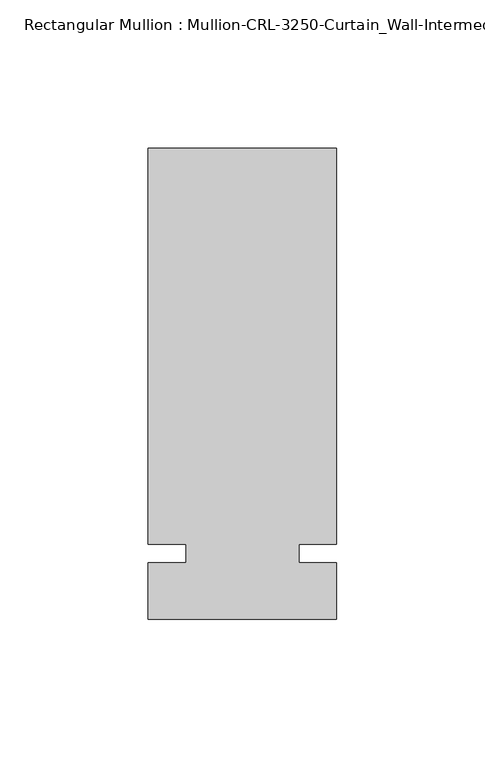
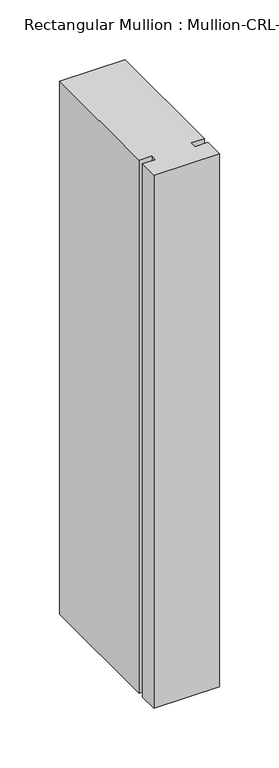
"""IFC4 building model written with IfcOpenShell, lengths in millimetres: member geometry."""

from ifc_helpers import new_model, si_unit, frame, origin, place, context, project, spatial, polyline, outline, extrude, source, transform, mapped, element, save


def member_14cd7985(model_context):
    return source(origin(), model_context, "Body", "SweptSolid", [
        extrude(outline(polyline([(31.7499985, -3.175), (31.7499985, -22.2254168), (-31.7499985, -22.2254168), (-31.7499985, -3.175), (-19.0499985, -3.175), (-19.0499985, 3.175), (-31.7499985, 3.175), (-31.7499985, 136.5246049), (31.7499985, 136.5246049), (31.7499985, 3.175), (19.0499985, 3.175), (19.0499985, -3.175), (31.7499985, -3.175)])), frame((0.0, 0.0, -546.1000015), z_axis=(0.0, 0.0, 1.0), x_axis=(1.0, 0.0, 0.0)), (0.0, 0.0, 1.0), 546.1000015),
    ])


if __name__ == "__main__":
    model = new_model("IFC4")
    model_context = context("Model", 3, world=origin())
    ifc_project = project(units=[si_unit("LENGTHUNIT", "METRE", prefix="MILLI")], contexts=[model_context])
    site = spatial("IfcSite", under=ifc_project)
    building = spatial("IfcBuilding", under=site)
    placement = place(None, origin())
    member_shape = member_14cd7985(model_context)
    element("IfcMember", 1, ObjectType="Rectangular Mullion : Mullion-CRL-3250-Curtain_Wall-Intermediate_Vertical-5\"", at=placement, inside=building, context=model_context, shape_type="MappedRepresentation", body=[
        mapped(member_shape, transform((0.0, 0.0, 0.0), x_axis=(1.0, 0.0, 0.0), y_axis=(0.0, 1.0, 0.0), z_axis=(0.0, 0.0, 1.0))),
    ])
    save(model, "model.ifc")
